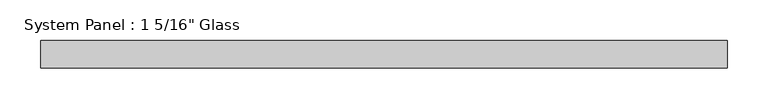
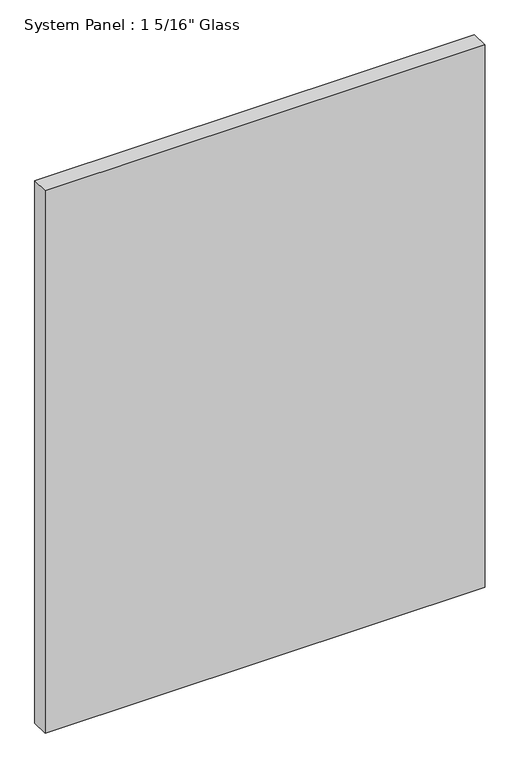
"""IFC4 building model written with IfcOpenShell, lengths in millimetres: plate geometry."""

from ifc_helpers import new_model, si_unit, origin, origin_with_axes, place, context, project, spatial, polyline, outline, extrude, source, transform, mapped, element, save


def plate_cb01109f(model_context):
    return source(origin(), model_context, "Body", "SweptSolid", [
        extrude(outline(polyline([(419.1, -16.66875), (-419.1, -16.66875), (-419.1, 16.66875), (419.1, 16.66875), (419.1, -16.66875)])), origin_with_axes(), (0.0, 0.0, 1.0), 1092.2),
    ])


if __name__ == "__main__":
    model = new_model("IFC4")
    model_context = context("Model", 3, world=origin())
    ifc_project = project(units=[si_unit("LENGTHUNIT", "METRE", prefix="MILLI")], contexts=[model_context])
    site = spatial("IfcSite", under=ifc_project)
    building = spatial("IfcBuilding", under=site)
    placement = place(None, origin())
    plate_shape = plate_cb01109f(model_context)
    element("IfcPlate", 1, ObjectType="System Panel : 1 5/16\" Glass", at=placement, inside=building, context=model_context, shape_type="MappedRepresentation", body=[
        mapped(plate_shape, transform((0.0, 0.0, 0.0), x_axis=(1.0, 0.0, 0.0), y_axis=(0.0, 1.0, 0.0), z_axis=(0.0, 0.0, 1.0))),
    ])
    save(model, "model.ifc")
